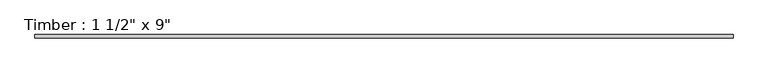
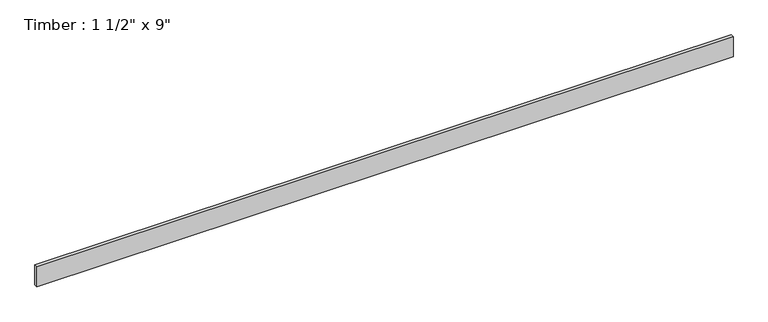
"""IFC4 building model written with IfcOpenShell, lengths in millimetres: beam geometry."""

from ifc_helpers import new_model, si_unit, frame, origin, place, context, project, spatial, polyline, outline, extrude, source, transform, mapped, element, save


def beam_898fd082(model_context):
    return source(origin(), model_context, "Body", "SweptSolid", [
        extrude(outline(polyline([(3804.3002342, 19.05), (3804.3002342, -19.05), (-3804.3002342, -19.05), (-3804.3002342, 19.05), (3804.3002342, 19.05)])), frame((0.0, 0.0, -114.3), z_axis=(0.0, 0.0, 1.0), x_axis=(1.0, 0.0, 0.0)), (0.0, 0.0, 1.0), 228.6),
    ])


if __name__ == "__main__":
    model = new_model("IFC4")
    model_context = context("Model", 3, world=origin())
    ifc_project = project(units=[si_unit("LENGTHUNIT", "METRE", prefix="MILLI")], contexts=[model_context])
    site = spatial("IfcSite", under=ifc_project)
    building = spatial("IfcBuilding", under=site)
    placement = place(None, origin())
    beam_shape = beam_898fd082(model_context)
    element("IfcBeam", 1, ObjectType="Timber : 1 1/2\" x 9\"", at=placement, inside=building, context=model_context, shape_type="MappedRepresentation", body=[
        mapped(beam_shape, transform((0.0, 0.0, 0.0), x_axis=(1.0, 0.0, 0.0), y_axis=(0.0, 1.0, 0.0), z_axis=(0.0, 0.0, 1.0))),
    ])
    save(model, "model.ifc")
